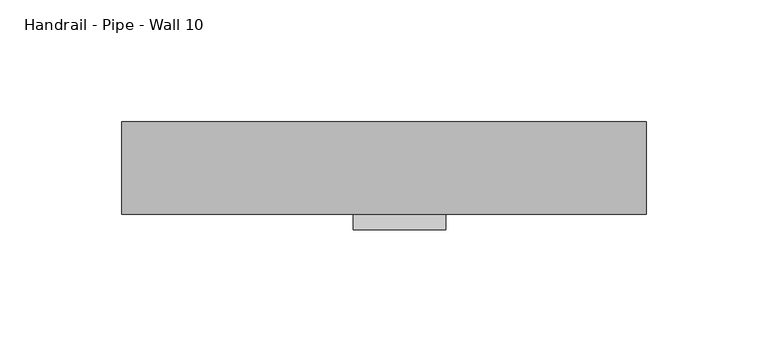
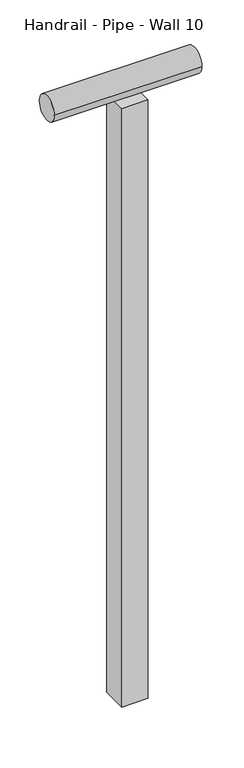
"""IFC4 building model written with IfcOpenShell, lengths in millimetres: railing geometry, Handrail - Pipe - Wall 10."""

import ifcopenshell
import ifcopenshell.guid

model = None  # the IFC model being written
_history = None  # IfcOwnerHistory: only IFC2X3 demands one
_inside = {}  # id of a spatial element -> (the spatial element, [elements in it])
_under = {}  # id of a project, library or spatial element -> (it, [spatial elements below it])
_declared = {}  # id of a project -> (the project, [libraries it declares])
_typed = {}  # id of a type object -> (the type object, [elements of that type])
_made_of = {}  # id of a material, layer set ... -> (it, [elements and type objects made of it])


def new_model(schema):
    """Start an empty IFC model of exactly this schema.

    Asked for "IFC4X3", IfcOpenShell would pick the latest addendum, in which some entities
    have other attributes; the version numbers below select the first issue.
    IFC2X3 requires an IfcOwnerHistory on every rooted entity: one is made here for all.
    """
    global model, _history
    if schema == "IFC4X3":
        model = ifcopenshell.file(schema_version=(4, 3, 0, 0))
    else:
        model = ifcopenshell.file(schema=schema)
    _inside.clear()
    _under.clear()
    _declared.clear()
    _typed.clear()
    _made_of.clear()
    _history = None
    if model.schema == "IFC2X3":
        org = make("IfcOrganization", Name="unknown")
        user = make(
            "IfcPersonAndOrganization",
            ThePerson=make("IfcPerson", FamilyName="unknown"),
            TheOrganization=org,
        )
        app = make(
            "IfcApplication",
            ApplicationDeveloper=org,
            Version="unknown",
            ApplicationFullName="unknown",
            ApplicationIdentifier="unknown",
        )
        _history = make(
            "IfcOwnerHistory",
            OwningUser=user,
            OwningApplication=app,
            ChangeAction="ADDED",
            CreationDate=0,
        )
    return model


def make(cls, **values):
    """One entity of the class cls with the attributes given. An attribute that is None is left unset."""
    return model.create_entity(
        cls, **{name: value for name, value in values.items() if value is not None}
    )


def rooted(cls, **values):
    """An entity with a GlobalId (a new one), such as an element, a storey or a relation."""
    return make(cls, GlobalId=ifcopenshell.guid.new(), OwnerHistory=_history, **values)


def si_unit(unit_type, name, prefix=None):
    """IfcSIUnit, for example si_unit("LENGTHUNIT", "METRE", prefix="MILLI")."""
    return make("IfcSIUnit", UnitType=unit_type, Prefix=prefix, Name=name)


def assignment(units):
    """IfcUnitAssignment: the units of a project."""
    return None if units is None else make("IfcUnitAssignment", Units=units)


def point(xyz):
    """IfcCartesianPoint."""
    return None if xyz is None else make("IfcCartesianPoint", Coordinates=xyz)


def direction(xyz):
    """IfcDirection."""
    return None if xyz is None else make("IfcDirection", DirectionRatios=xyz)


def frame(location, z_axis=None, x_axis=None):
    """IfcAxis2Placement3D, a coordinate frame: its origin and axes. An axis left out is left unset."""
    return make(
        "IfcAxis2Placement3D",
        Location=point(location),
        Axis=direction(z_axis),
        RefDirection=direction(x_axis),
    )


def frame_2d(location, x_axis=None):
    """IfcAxis2Placement2D, a coordinate frame in the plane: its origin and x axis."""
    return make(
        "IfcAxis2Placement2D", Location=point(location), RefDirection=direction(x_axis)
    )


def origin():
    """The frame at (0, 0, 0) with its axes left unset."""
    return frame((0.0, 0.0, 0.0))


def place(relative_to, where):
    """IfcLocalPlacement: puts the frame where relative to a parent placement (None: the world)."""
    return make(
        "IfcLocalPlacement", PlacementRelTo=relative_to, RelativePlacement=where
    )


def context(
    kind, dimensions, precision=None, world=None, true_north=None, identifier=None
):
    """IfcGeometricRepresentationContext, for example the 3D "Model" context."""
    return make(
        "IfcGeometricRepresentationContext",
        ContextIdentifier=identifier,
        ContextType=kind,
        CoordinateSpaceDimension=dimensions,
        Precision=precision,
        WorldCoordinateSystem=world,
        TrueNorth=true_north,
    )


def project(units=None, contexts=None):
    """IfcProject with its units and contexts."""
    return rooted(
        "IfcProject",
        Name="project",
        RepresentationContexts=contexts,
        UnitsInContext=assignment(units),
    )


def spatial(cls, under=None, at=None, **own):
    """A site, building, storey or space (cls), placed at a placement, below another one or the project."""
    s = rooted(cls, ObjectPlacement=at, **own)
    if under is not None:
        _under.setdefault(under.id(), (under, []))[1].append(s)
    return s


def polyline(points):
    """IfcPolyline through the points."""
    return make("IfcPolyline", Points=[point(p) for p in points])


def circle_curve(where, radius):
    """IfcCircle in the frame where."""
    return make("IfcCircle", Position=where, Radius=radius)


def trimmed(basis, trim1, trim2, sense, master):
    """IfcTrimmedCurve: the piece of a basis curve between two trims."""
    return make(
        "IfcTrimmedCurve",
        BasisCurve=basis,
        Trim1=trim1,
        Trim2=trim2,
        SenseAgreement=sense,
        MasterRepresentation=master,
    )


def segment(curve, same_sense, transition):
    """IfcCompositeCurveSegment."""
    return make(
        "IfcCompositeCurveSegment",
        Transition=transition,
        SameSense=same_sense,
        ParentCurve=curve,
    )


def composite_curve(segments, self_intersect=None):
    """IfcCompositeCurve: segments joined end to end."""
    return make("IfcCompositeCurve", Segments=segments, SelfIntersect=self_intersect)


def outline(outer, holes=None, kind="AREA"):
    """IfcArbitraryClosedProfileDef: a profile drawn as a closed curve; with holes, ...WithVoids."""
    if holes is None:
        return make("IfcArbitraryClosedProfileDef", ProfileType=kind, OuterCurve=outer)
    return make(
        "IfcArbitraryProfileDefWithVoids",
        ProfileType=kind,
        OuterCurve=outer,
        InnerCurves=holes,
    )


def extrude(swept, where, along, depth):
    """IfcExtrudedAreaSolid: the profile swept, set in the frame where, extruded along a direction by depth."""
    return make(
        "IfcExtrudedAreaSolid",
        SweptArea=swept,
        Position=where,
        ExtrudedDirection=direction(along),
        Depth=depth,
    )


def shape(context_of_items, identifier, shape_type, items):
    """IfcShapeRepresentation: the items that make up one representation, for example the "Body"."""
    return make(
        "IfcShapeRepresentation",
        ContextOfItems=context_of_items,
        RepresentationIdentifier=identifier,
        RepresentationType=shape_type,
        Items=items,
    )


def source(mapping_origin, context_of_items, identifier, shape_type, items):
    """IfcRepresentationMap: a shape defined once, which mapped items show again and again."""
    return make(
        "IfcRepresentationMap",
        MappingOrigin=mapping_origin,
        MappedRepresentation=shape(context_of_items, identifier, shape_type, items),
    )


def transform(
    local_origin,
    x_axis=None,
    y_axis=None,
    z_axis=None,
    scale=None,
    scale2=None,
    scale3=None,
    uniform=True,
):
    """IfcCartesianTransformationOperator3D, or its non-uniform kind. x_axis, y_axis, z_axis: its Axis1, 2, 3."""
    if uniform:
        return make(
            "IfcCartesianTransformationOperator3D",
            Axis1=direction(x_axis),
            Axis2=direction(y_axis),
            LocalOrigin=point(local_origin),
            Scale=scale,
            Axis3=direction(z_axis),
        )
    return make(
        "IfcCartesianTransformationOperator3DnonUniform",
        Axis1=direction(x_axis),
        Axis2=direction(y_axis),
        LocalOrigin=point(local_origin),
        Scale=scale,
        Axis3=direction(z_axis),
        Scale2=scale2,
        Scale3=scale3,
    )


def mapped(mapping_source, mapping_target):
    """IfcMappedItem: shows the shape of a source again, moved by a transform."""
    return make(
        "IfcMappedItem", MappingSource=mapping_source, MappingTarget=mapping_target
    )


def made_of(thing, what):
    """Note that an element or type object is made of a material, layer set ...; save() writes the relation."""
    if what is not None:
        _made_of.setdefault(what.id(), (what, []))[1].append(thing)
    return thing


def element(
    cls,
    number,
    at=None,
    inside=None,
    cuts=None,
    type_object=None,
    material=None,
    context=None,
    identifier="Body",
    shape_type=None,
    held_by="IfcProductDefinitionShape",
    body=None,
    shapes=None,
    **own,
):
    """One element of the class cls, such as IfcWall. Its Tag is "e" and its number.

    at: its placement. inside: the storey or other place that contains it. cuts: it is an
    opening in that element (IfcRelVoidsElement). A single representation is given by context,
    identifier, shape_type and body (its items); several are given by shapes. held_by: the class
    of the entity that holds the representations. save() writes the other relations.
    """
    e = rooted(cls, Tag="e%d" % number, ObjectPlacement=at, **own)
    if body is not None:
        shapes = [shape(context, identifier, shape_type, body)]
    if shapes is not None:
        e.Representation = make(held_by, Representations=shapes)
    if inside is not None:
        _inside.setdefault(inside.id(), (inside, []))[1].append(e)
    if cuts is not None:
        rooted(
            "IfcRelVoidsElement", RelatingBuildingElement=cuts, RelatedOpeningElement=e
        )
    if type_object is not None:
        _typed.setdefault(type_object.id(), (type_object, []))[1].append(e)
    return made_of(e, material)


def aggregate(whole, parts):
    """IfcRelAggregates: a whole, such as a stair, and the parts it consists of."""
    return rooted("IfcRelAggregates", RelatingObject=whole, RelatedObjects=parts)


def save(model, path):
    """Write the relations noted so far, then the file.

    IfcRelAggregates (storeys below a building ...), IfcRelContainedInSpatialStructure (elements
    in a storey), IfcRelDefinesByType, IfcRelAssociatesMaterial and IfcRelDeclares: one each for
    every whole, place, type object, material and project.
    """
    for whole, parts in _under.values():
        aggregate(whole, parts)
    for where, things in _inside.values():
        rooted(
            "IfcRelContainedInSpatialStructure",
            RelatedElements=things,
            RelatingStructure=where,
        )
    for kind, things in _typed.values():
        rooted("IfcRelDefinesByType", RelatedObjects=things, RelatingType=kind)
    for what, things in _made_of.values():
        rooted("IfcRelAssociatesMaterial", RelatedObjects=things, RelatingMaterial=what)
    for by, libraries in _declared.values():
        rooted("IfcRelDeclares", RelatingContext=by, RelatedDefinitions=libraries)
    model.write(path)


def handrail_pipe_wall_10_7f50256c(model_context):
    return source(origin(), model_context, "Body", "SweptSolid", [
        extrude(outline(composite_curve([segment(trimmed(circle_curve(frame_2d((34409.4242063, -10064.75)), 19.05), [point((34428.4742063, -10064.75))], [point((34390.3742063, -10064.75))], False, "CARTESIAN"), True, "CONTINUOUS"), segment(trimmed(circle_curve(frame_2d((34409.4242063, -10064.75)), 19.05), [point((34390.3742063, -10064.75))], [point((34428.4742063, -10064.75))], False, "CARTESIAN"), True, "CONTINUOUS")], self_intersect=False)), frame((-18000.1138775, 0.0, 0.0), z_axis=(1.0, 0.0, 0.0), x_axis=(0.0, 1.0, 0.0)), (0.0, 0.0, 1.0), 215.9),
        extrude(outline(polyline([(-17904.8638775, 34384.0242063), (-17904.8638775, 34422.1242063), (-17866.7638775, 34422.1242063), (-17866.7638775, 34384.0242063), (-17904.8638775, 34384.0242063)])), frame((0.0, 0.0, -11010.9), z_axis=(0.0, 0.0, 1.0), x_axis=(1.0, 0.0, 0.0)), (0.0, 0.0, 1.0), 927.1),
    ])


if __name__ == "__main__":
    model = new_model("IFC4")
    model_context = context("Model", 3, world=origin())
    ifc_project = project(units=[si_unit("LENGTHUNIT", "METRE", prefix="MILLI")], contexts=[model_context])
    site = spatial("IfcSite", under=ifc_project)
    building = spatial("IfcBuilding", under=site)
    placement = place(None, origin())
    handrail_pipe_wall_10_shape = handrail_pipe_wall_10_7f50256c(model_context)
    element("IfcRailing", 1, ObjectType="Handrail - Pipe - Wall 10", at=placement, inside=building, context=model_context, shape_type="MappedRepresentation", body=[
        mapped(handrail_pipe_wall_10_shape, transform((0.0, 0.0, 0.0), x_axis=(1.0, 0.0, 0.0), y_axis=(0.0, 1.0, 0.0), z_axis=(0.0, 0.0, 1.0))),
    ])
    save(model, "model.ifc")
